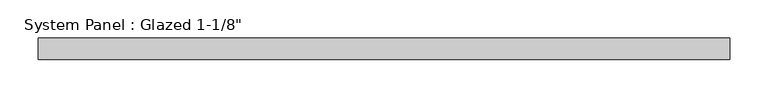
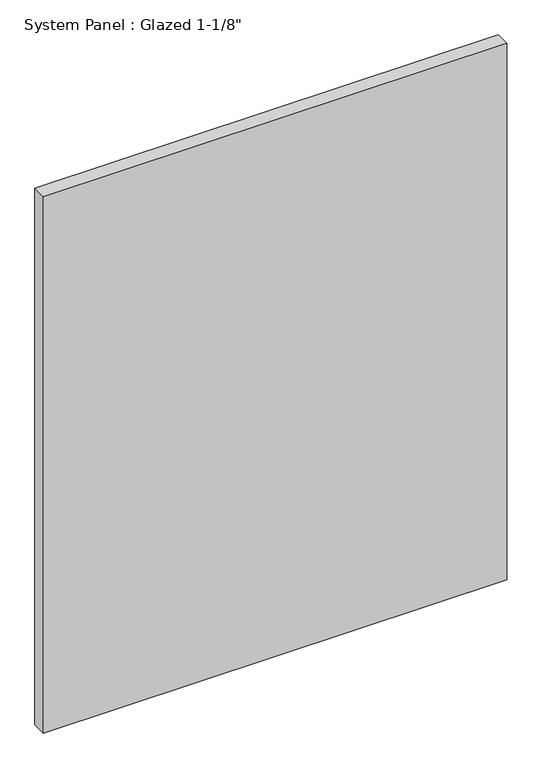
"""IFC4 building model written with IfcOpenShell, lengths in millimetres: plate geometry."""

from ifc_helpers import new_model, si_unit, origin, origin_with_axes, place, context, project, spatial, polyline, outline, extrude, source, transform, mapped, element, save


def plate_0fe80cb5(model_context):
    return source(origin(), model_context, "Body", "SweptSolid", [
        extrude(outline(polyline([(454.025, -14.2875), (-454.025, -14.2875), (-454.025, 14.2875), (454.025, 14.2875), (454.025, -14.2875)])), origin_with_axes(), (0.0, 0.0, 1.0), 1111.25),
    ])


if __name__ == "__main__":
    model = new_model("IFC4")
    model_context = context("Model", 3, world=origin())
    ifc_project = project(units=[si_unit("LENGTHUNIT", "METRE", prefix="MILLI")], contexts=[model_context])
    site = spatial("IfcSite", under=ifc_project)
    building = spatial("IfcBuilding", under=site)
    placement = place(None, origin())
    plate_shape = plate_0fe80cb5(model_context)
    element("IfcPlate", 1, ObjectType="System Panel : Glazed 1-1/8\"", at=placement, inside=building, context=model_context, shape_type="MappedRepresentation", body=[
        mapped(plate_shape, transform((0.0, 0.0, 0.0), x_axis=(1.0, 0.0, 0.0), y_axis=(0.0, 1.0, 0.0), z_axis=(0.0, 0.0, 1.0))),
    ])
    save(model, "model.ifc")
